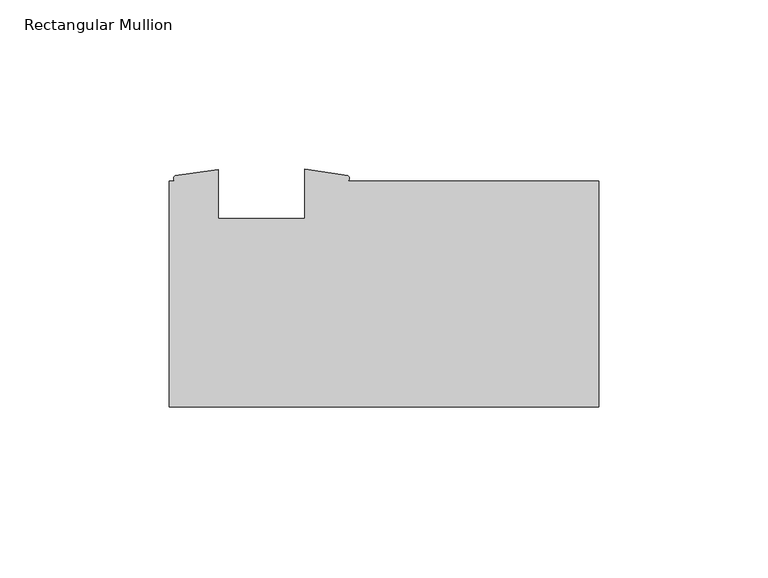
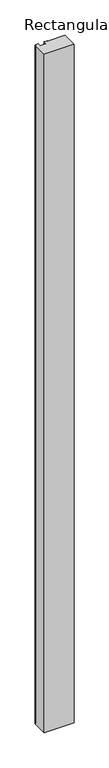
"""IFC4 building model written with IfcOpenShell, lengths in millimetres: member geometry, Rectangular Mullion."""

from ifc_helpers import new_model, si_unit, point, frame, frame_2d, origin, place, context, project, spatial, polyline, circle_curve, trimmed, segment, composite_curve, outline, extrude, source, transform, mapped, element, save


def rectangular_mullion_eb18a2bc(model_context):
    return source(origin(), model_context, "Body", "SweptSolid", [
        extrude(outline(composite_curve([segment(polyline([(-74.0694222, 33.3375), (0.0, 33.3375), (0.0, -33.3375), (-126.746, -33.3375), (-126.746, 33.3375), (-125.0137625, 33.3375)]), True, "CONTINUOUS"), segment(trimmed(circle_curve(frame_2d((-124.5833294, 34.1304481)), 0.9022413), [point((-125.0137625, 33.3375))], [point((-125.0137625, 34.9233963))], False, "CARTESIAN"), True, "CONTINUOUS"), segment(polyline([(-125.0137625, 34.9233963), (-112.242475, 36.7335), (-112.242475, 22.225), (-86.842475, 22.225), (-86.842475, 36.8570217), (-74.0694222, 35.0009044)]), True, "CONTINUOUS"), segment(trimmed(circle_curve(frame_2d((-74.6222573, 34.1692022)), 0.9986767), [point((-74.0694222, 35.0009044))], [point((-74.0694222, 33.3375))], False, "CARTESIAN"), True, "CONTINUOUS")], self_intersect=False)), frame((0.0, 0.0, -3048.0), z_axis=(0.0, 0.0, 1.0), x_axis=(1.0, 0.0, 0.0)), (0.0, 0.0, 1.0), 3048.0),
    ])


if __name__ == "__main__":
    model = new_model("IFC4")
    model_context = context("Model", 3, world=origin())
    ifc_project = project(units=[si_unit("LENGTHUNIT", "METRE", prefix="MILLI")], contexts=[model_context])
    site = spatial("IfcSite", under=ifc_project)
    building = spatial("IfcBuilding", under=site)
    placement = place(None, origin())
    rectangular_mullion_shape = rectangular_mullion_eb18a2bc(model_context)
    element("IfcMember", 1, ObjectType="Rectangular Mullion", at=placement, inside=building, context=model_context, shape_type="MappedRepresentation", body=[
        mapped(rectangular_mullion_shape, transform((0.0, 0.0, 0.0), x_axis=(1.0, 0.0, 0.0), y_axis=(0.0, 1.0, 0.0), z_axis=(0.0, 0.0, 1.0))),
    ])
    save(model, "model.ifc")
